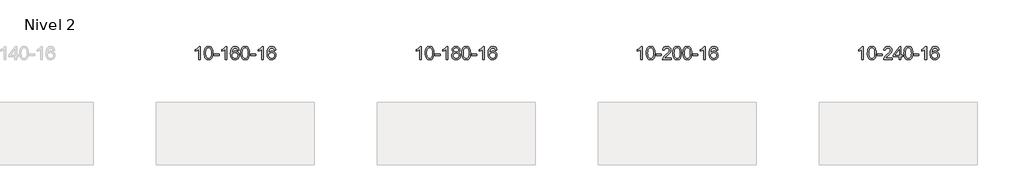
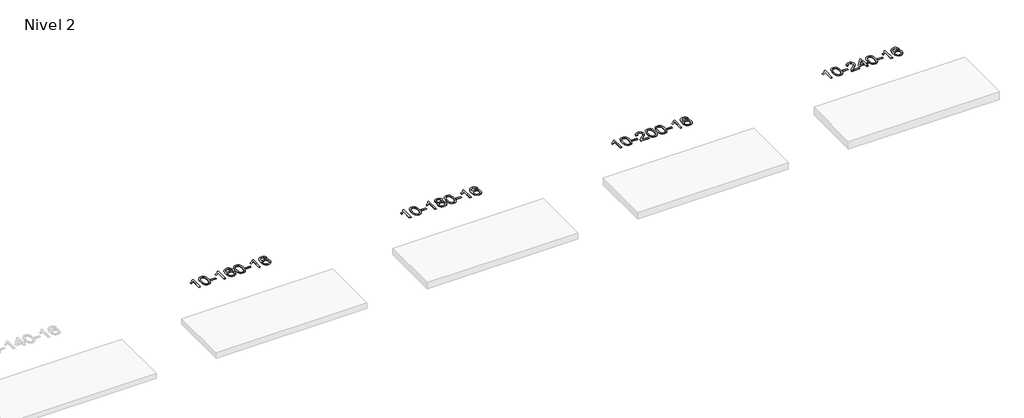
# One storey, part 44 of 51: 4 proxies.
"""IFC4 building model written with IfcOpenShell, lengths in millimetres."""

from ifc_helpers import new_model, si_unit, frame, origin, place, context, project, spatial, polyline, outline, extrude, element, save

model = new_model("IFC4")

# Units and contexts
model_context = context("Model", 3, world=origin())
ifc_project = project(units=[si_unit("LENGTHUNIT", "METRE", prefix="MILLI")], contexts=[model_context])

# Site, building, storey
site = spatial("IfcSite", under=ifc_project)
building = spatial("IfcBuilding", under=site)
storey = spatial("IfcBuildingStorey", under=building, Name="Nivel 2", Elevation=3000.0)

# Proxies
placement = place(None, origin())
element("IfcBuildingElementProxy", 1, Name="Texto de modelo 1", ObjectType="Texto de modelo 1", at=placement, inside=storey, context=model_context, shape_type="SweptSolid", body=[
    extrude(outline(polyline([(38245.494419, -39113.543941), (38195.266264, -39113.543941), (38195.266264, -38800.4027867), (38174.2969902, -38817.3621467), (38147.6868593, -38834.2969812), (38094.8099538, -38859.6563134), (38094.8099538, -38812.1750106), (38134.2591664, -38790.7152275), (38168.4354038, -38765.1842171), (38195.3766286, -38738.0345258), (38213.1208035, -38711.7187004), (38245.494419, -38711.7187004), (38245.494419, -39113.543941)])), frame((0.0, 0.0, 3000.0), z_axis=(0.0, 0.0, 1.0), x_axis=(1.0, 0.0, 0.0)), (0.0, 0.0, 1.0), 10.0),
    extrude(outline(polyline([(38364.7862873, -38915.8686823), (38368.47737, -38851.5506468), (38379.5506181, -38800.2556339), (38397.8956669, -38761.1988288), (38409.7537299, -38745.9654485), (38423.4021519, -38733.5954164), (38438.8869182, -38724.0243532), (38456.2540141, -38717.1878794), (38496.6351944, -38711.7187004), (38527.5863329, -38714.956062), (38555.3001099, -38724.6681467), (38578.4766756, -38740.4748097), (38595.8161803, -38761.9959064), (38608.9127793, -38789.0474958), (38619.360628, -38821.4456369), (38626.2032331, -38862.5871067), (38628.4841015, -38915.8686823), (38624.829807, -38979.8188358), (38613.8669235, -39030.9912213), (38595.6322393, -39070.0848147), (38583.8017675, -39085.3641802), (38570.1625425, -39097.7985916), (38554.6593821, -39107.4340342), (38537.2371039, -39114.3164932), (38496.6351944, -39119.8224604), (38468.9704684, -39117.4312275), (38444.445002, -39110.2575285), (38423.0587954, -39098.3013637), (38404.8118484, -39081.5627329), (38387.3006654, -39051.3044388), (38374.7926776, -39013.6026657), (38367.2878849, -38968.4574135), (38364.7862873, -38915.8686823)]), holes=[polyline([(38415.0144424, -38915.7705804), (38416.4859704, -38959.4351076), (38420.9005543, -38994.7793703), (38428.2581942, -39021.8033685), (38438.5588901, -39040.5071023), (38451.017827, -39053.2327536), (38464.85019, -39062.3225046), (38480.0559792, -39067.7763552), (38496.6351944, -39069.5943053), (38513.2144097, -39067.7702238), (38528.4201988, -39062.2979791), (38542.2525618, -39053.1775713), (38554.7114987, -39040.4090004), (38565.0121946, -39021.6746098), (38572.3698345, -38994.6567429), (38576.7844184, -38959.3553998), (38578.2559464, -38915.7705804), (38576.8334694, -38873.2618159), (38572.5660382, -38838.5398869), (38565.453653, -38811.6047935), (38555.4963136, -38792.4565356), (38543.2458432, -38779.1085506), (38529.2540646, -38769.5742755), (38513.520978, -38763.8537105), (38496.0465832, -38761.9468555), (38479.5532071, -38763.62685), (38464.6049354, -38768.6668333), (38451.201768, -38777.0668055), (38439.343705, -38788.8267666), (38428.6996526, -38809.673413), (38421.0967581, -38837.7795975), (38416.5350213, -38873.1453199), (38415.0144424, -38915.7705804)])]), frame((0.0, 0.0, 3000.0), z_axis=(0.0, 0.0, 1.0), x_axis=(1.0, 0.0, 0.0)), (0.0, 0.0, 1.0), 10.0),
    extrude(outline(polyline([(38659.8766984, -38994.2520727), (38659.8766984, -38944.0239177), (38816.839683, -38944.0239177), (38816.839683, -38994.2520727), (38659.8766984, -38994.2520727)])), frame((0.0, 0.0, 3000.0), z_axis=(0.0, 0.0, 1.0), x_axis=(1.0, 0.0, 0.0)), (0.0, 0.0, 1.0), 10.0),
    extrude(outline(polyline([(39049.1449002, -39113.543941), (38998.9167452, -39113.543941), (38998.9167452, -38800.4027867), (38977.9474714, -38817.3621467), (38951.3373404, -38834.2969812), (38898.460435, -38859.6563134), (38898.460435, -38812.1750106), (38937.9096476, -38790.7152275), (38972.085885, -38765.1842171), (38999.0271098, -38738.0345258), (39016.7712847, -38711.7187004), (39049.1449002, -38711.7187004), (39049.1449002, -39113.543941)])), frame((0.0, 0.0, 3000.0), z_axis=(0.0, 0.0, 1.0), x_axis=(1.0, 0.0, 0.0)), (0.0, 0.0, 1.0), 10.0),
    extrude(outline(polyline([(39425.8560633, -38818.45353), (39375.6279082, -38824.7320494), (39367.5345043, -38799.838701), (39356.5961463, -38782.8425528), (39333.8119881, -38767.1707798), (39306.2698894, -38761.9468555), (39282.9216454, -38764.9880133), (39260.9468276, -38774.1114868), (39242.0744812, -38793.3271897), (39226.6602256, -38819.7779052), (39216.2491652, -38857.1915041), (39212.3864042, -38909.2958573), (39232.5340748, -38885.7881978), (39256.6793964, -38869.2212453), (39283.4734684, -38859.398796), (39311.5673901, -38856.1246463), (39335.700449, -38858.3625951), (39357.9695725, -38865.0764415), (39378.3747604, -38876.2661855), (39396.916013, -38891.9318271), (39412.3241372, -38911.1413987), (39423.3299403, -38932.9629323), (39429.9334221, -38957.3964282), (39432.1345827, -38984.4418862), (39427.9897789, -39020.4084826), (39415.5553674, -39053.7508541), (39395.861418, -39082.0287168), (39369.938, -39102.8017868), (39338.962336, -39115.567292), (39304.1116484, -39119.8224604), (39274.1691196, -39117.0020318), (39247.1267273, -39108.5407459), (39222.9844714, -39094.4386028), (39201.7423518, -39074.6956023), (39184.4243069, -39048.4778788), (39172.0542748, -39014.9515663), (39164.6322556, -38974.1166649), (39162.1582492, -38925.9731744), (39164.9051014, -38871.9987544), (39173.1456581, -38825.9337972), (39186.8799192, -38787.7783029), (39206.1078848, -38757.5322716), (39226.9483999, -38737.4888342), (39251.1121156, -38723.1720932), (39278.599032, -38714.5820486), (39309.4091491, -38711.7187004), (39332.5427952, -38713.4906654), (39353.4814121, -38718.8065602), (39372.2249998, -38727.6663849), (39388.7735582, -38740.0701395), (39402.6794976, -38755.6008911), (39413.4952283, -38773.8417067), (39421.2207502, -38794.7925863), (39425.8560633, -38818.45353)]), holes=[polyline([(39212.3864042, -38983.6570713), (39215.292672, -39005.913932), (39224.0114753, -39027.1652486), (39237.5495327, -39045.436721), (39254.9135629, -39058.7540492), (39275.8705739, -39066.8842413), (39300.1875737, -39069.5943053), (39333.3337415, -39063.9779736), (39347.248878, -39056.9575588), (39359.3920495, -39047.1289782), (39369.2420899, -39034.8907705), (39376.2778331, -39020.6414745), (39381.9064276, -38986.1096179), (39376.3514095, -38952.9634501), (39369.4076368, -38939.3426193), (39359.6863551, -38927.6899571), (39347.5063954, -38918.3549514), (39333.1865887, -38911.6870903), (39298.1274346, -38906.3528014), (39265.0303177, -38911.6870903), (39237.353329, -38927.6899571), (39226.4302994, -38939.1893351), (39218.6281354, -38952.3503135), (39213.946837, -38967.1728922), (39212.3864042, -38983.6570713)])]), frame((0.0, 0.0, 3000.0), z_axis=(0.0, 0.0, 1.0), x_axis=(1.0, 0.0, 0.0)), (0.0, 0.0, 1.0), 10.0),
    extrude(outline(polyline([(39476.0842184, -38915.8686823), (39479.7753011, -38851.5506468), (39490.8485491, -38800.2556339), (39509.1935979, -38761.1988288), (39521.0516609, -38745.9654485), (39534.7000829, -38733.5954164), (39550.1848492, -38724.0243532), (39567.5519451, -38717.1878794), (39607.9331254, -38711.7187004), (39638.884264, -38714.956062), (39666.5980409, -38724.6681467), (39689.7746066, -38740.4748097), (39707.1141113, -38761.9959064), (39720.2107104, -38789.0474958), (39730.658559, -38821.4456369), (39737.5011641, -38862.5871067), (39739.7820325, -38915.8686823), (39736.127738, -38979.8188358), (39725.1648546, -39030.9912213), (39706.9301703, -39070.0848147), (39695.0996985, -39085.3641802), (39681.4604735, -39097.7985916), (39665.9573131, -39107.4340342), (39648.535035, -39114.3164932), (39607.9331254, -39119.8224604), (39580.2683994, -39117.4312275), (39555.7429331, -39110.2575285), (39534.3567264, -39098.3013637), (39516.1097794, -39081.5627329), (39498.5985965, -39051.3044388), (39486.0906086, -39013.6026657), (39478.5858159, -38968.4574135), (39476.0842184, -38915.8686823)]), holes=[polyline([(39526.3123734, -38915.7705804), (39527.7839014, -38959.4351076), (39532.1984854, -38994.7793703), (39539.5561253, -39021.8033685), (39549.8568211, -39040.5071023), (39562.315758, -39053.2327536), (39576.1481211, -39062.3225046), (39591.3539102, -39067.7763552), (39607.9331254, -39069.5943053), (39624.5123407, -39067.7702238), (39639.7181298, -39062.2979791), (39653.5504928, -39053.1775713), (39666.0094297, -39040.4090004), (39676.3101256, -39021.6746098), (39683.6677655, -38994.6567429), (39688.0823495, -38959.3553998), (39689.5538774, -38915.7705804), (39688.1314004, -38873.2618159), (39683.8639692, -38838.5398869), (39676.751584, -38811.6047935), (39666.7942447, -38792.4565356), (39654.5437742, -38779.1085506), (39640.5519957, -38769.5742755), (39624.818909, -38763.8537105), (39607.3445142, -38761.9468555), (39590.8511381, -38763.62685), (39575.9028664, -38768.6668333), (39562.499699, -38777.0668055), (39550.6416361, -38788.8267666), (39539.9975837, -38809.673413), (39532.3946891, -38837.7795975), (39527.8329524, -38873.1453199), (39526.3123734, -38915.7705804)])]), frame((0.0, 0.0, 3000.0), z_axis=(0.0, 0.0, 1.0), x_axis=(1.0, 0.0, 0.0)), (0.0, 0.0, 1.0), 10.0),
    extrude(outline(polyline([(39771.1746294, -38994.2520727), (39771.1746294, -38944.0239177), (39928.137614, -38944.0239177), (39928.137614, -38994.2520727), (39771.1746294, -38994.2520727)])), frame((0.0, 0.0, 3000.0), z_axis=(0.0, 0.0, 1.0), x_axis=(1.0, 0.0, 0.0)), (0.0, 0.0, 1.0), 10.0),
    extrude(outline(polyline([(40160.4428313, -39113.543941), (40110.2146762, -39113.543941), (40110.2146762, -38800.4027867), (40089.2454025, -38817.3621467), (40062.6352715, -38834.2969812), (40009.758366, -38859.6563134), (40009.758366, -38812.1750106), (40049.2075787, -38790.7152275), (40083.383816, -38765.1842171), (40110.3250408, -38738.0345258), (40128.0692157, -38711.7187004), (40160.4428313, -38711.7187004), (40160.4428313, -39113.543941)])), frame((0.0, 0.0, 3000.0), z_axis=(0.0, 0.0, 1.0), x_axis=(1.0, 0.0, 0.0)), (0.0, 0.0, 1.0), 10.0),
    extrude(outline(polyline([(40537.1539943, -38818.45353), (40486.9258392, -38824.7320494), (40478.8324354, -38799.838701), (40467.8940774, -38782.8425528), (40445.1099191, -38767.1707798), (40417.5678204, -38761.9468555), (40394.2195765, -38764.9880133), (40372.2447586, -38774.1114868), (40353.3724123, -38793.3271897), (40337.9581567, -38819.7779052), (40327.5470962, -38857.1915041), (40323.6843353, -38909.2958573), (40343.8320059, -38885.7881978), (40367.9773275, -38869.2212453), (40394.7713995, -38859.398796), (40422.8653212, -38856.1246463), (40446.99838, -38858.3625951), (40469.2675035, -38865.0764415), (40489.6726915, -38876.2661855), (40508.213944, -38891.9318271), (40523.6220683, -38911.1413987), (40534.6278713, -38932.9629323), (40541.2313531, -38957.3964282), (40543.4325137, -38984.4418862), (40539.2877099, -39020.4084826), (40526.8532985, -39053.7508541), (40507.159349, -39082.0287168), (40481.2359311, -39102.8017868), (40450.2602671, -39115.567292), (40415.4095794, -39119.8224604), (40385.4670507, -39117.0020318), (40358.4246583, -39108.5407459), (40334.2824024, -39094.4386028), (40313.0402829, -39074.6956023), (40295.7222379, -39048.4778788), (40283.3522059, -39014.9515663), (40275.9301866, -38974.1166649), (40273.4561802, -38925.9731744), (40276.2030324, -38871.9987544), (40284.4435891, -38825.9337972), (40298.1778503, -38787.7783029), (40317.4058159, -38757.5322716), (40338.2463309, -38737.4888342), (40362.4100466, -38723.1720932), (40389.896963, -38714.5820486), (40420.7070801, -38711.7187004), (40443.8407262, -38713.4906654), (40464.7793431, -38718.8065602), (40483.5229308, -38727.6663849), (40500.0714892, -38740.0701395), (40513.9774286, -38755.6008911), (40524.7931593, -38773.8417067), (40532.5186812, -38794.7925863), (40537.1539943, -38818.45353)]), holes=[polyline([(40323.6843353, -38983.6570713), (40326.590603, -39005.913932), (40335.3094063, -39027.1652486), (40348.8474637, -39045.436721), (40366.2114939, -39058.7540492), (40387.1685049, -39066.8842413), (40411.4855048, -39069.5943053), (40444.6316725, -39063.9779736), (40458.546809, -39056.9575588), (40470.6899805, -39047.1289782), (40480.5400209, -39034.8907705), (40487.5757641, -39020.6414745), (40493.2043586, -38986.1096179), (40487.6493405, -38952.9634501), (40480.7055678, -38939.3426193), (40470.9842861, -38927.6899571), (40458.8043264, -38918.3549514), (40444.4845197, -38911.6870903), (40409.4253656, -38906.3528014), (40376.3282488, -38911.6870903), (40348.65126, -38927.6899571), (40337.7282304, -38939.1893351), (40329.9260664, -38952.3503135), (40325.2447681, -38967.1728922), (40323.6843353, -38983.6570713)])]), frame((0.0, 0.0, 3000.0), z_axis=(0.0, 0.0, 1.0), x_axis=(1.0, 0.0, 0.0)), (0.0, 0.0, 1.0), 10.0),
])
element("IfcBuildingElementProxy", 2, Name="Texto de modelo 1", ObjectType="Texto de modelo 1", at=placement, inside=storey, context=model_context, shape_type="SweptSolid", body=[
    extrude(outline(polyline([(44960.4349539, -39113.543941), (44910.2067988, -39113.543941), (44910.2067988, -38800.4027867), (44889.2375251, -38817.3621467), (44862.6273941, -38834.2969812), (44809.7504886, -38859.6563134), (44809.7504886, -38812.1750106), (44849.1997013, -38790.7152275), (44883.3759386, -38765.1842171), (44910.3171634, -38738.0345258), (44928.0613383, -38711.7187004), (44960.4349539, -38711.7187004), (44960.4349539, -39113.543941)])), frame((0.0, 0.0, 3000.0), z_axis=(0.0, 0.0, 1.0), x_axis=(1.0, 0.0, 0.0)), (0.0, 0.0, 1.0), 10.0),
    extrude(outline(polyline([(45079.7268222, -38915.8686823), (45083.4179048, -38851.5506468), (45094.4911529, -38800.2556339), (45112.8362017, -38761.1988288), (45124.6942647, -38745.9654485), (45138.3426867, -38733.5954164), (45153.827453, -38724.0243532), (45171.1945489, -38717.1878794), (45211.5757292, -38711.7187004), (45242.5268678, -38714.956062), (45270.2406447, -38724.6681467), (45293.4172104, -38740.4748097), (45310.7567151, -38761.9959064), (45323.8533142, -38789.0474958), (45334.3011628, -38821.4456369), (45341.1437679, -38862.5871067), (45343.4246363, -38915.8686823), (45339.7703418, -38979.8188358), (45328.8074584, -39030.9912213), (45310.5727741, -39070.0848147), (45298.7423023, -39085.3641802), (45285.1030773, -39097.7985916), (45269.5999169, -39107.4340342), (45252.1776388, -39114.3164932), (45211.5757292, -39119.8224604), (45183.9110032, -39117.4312275), (45159.3855369, -39110.2575285), (45137.9993302, -39098.3013637), (45119.7523832, -39081.5627329), (45102.2412003, -39051.3044388), (45089.7332124, -39013.6026657), (45082.2284197, -38968.4574135), (45079.7268222, -38915.8686823)]), holes=[polyline([(45129.9549772, -38915.7705804), (45131.4265052, -38959.4351076), (45135.8410892, -38994.7793703), (45143.1987291, -39021.8033685), (45153.4994249, -39040.5071023), (45165.9583618, -39053.2327536), (45179.7907249, -39062.3225046), (45194.996514, -39067.7763552), (45211.5757292, -39069.5943053), (45228.1549445, -39067.7702238), (45243.3607336, -39062.2979791), (45257.1930966, -39053.1775713), (45269.6520335, -39040.4090004), (45279.9527294, -39021.6746098), (45287.3103693, -38994.6567429), (45291.7249532, -38959.3553998), (45293.1964812, -38915.7705804), (45291.7740042, -38873.2618159), (45287.506573, -38838.5398869), (45280.3941878, -38811.6047935), (45270.4368485, -38792.4565356), (45258.186378, -38779.1085506), (45244.1945995, -38769.5742755), (45228.4615128, -38763.8537105), (45210.987118, -38761.9468555), (45194.4937419, -38763.62685), (45179.5454702, -38768.6668333), (45166.1423028, -38777.0668055), (45154.2842399, -38788.8267666), (45143.6401875, -38809.673413), (45136.0372929, -38837.7795975), (45131.4755562, -38873.1453199), (45129.9549772, -38915.7705804)])]), frame((0.0, 0.0, 3000.0), z_axis=(0.0, 0.0, 1.0), x_axis=(1.0, 0.0, 0.0)), (0.0, 0.0, 1.0), 10.0),
    extrude(outline(polyline([(45374.8172332, -38994.2520727), (45374.8172332, -38944.0239177), (45531.7802178, -38944.0239177), (45531.7802178, -38994.2520727), (45374.8172332, -38994.2520727)])), frame((0.0, 0.0, 3000.0), z_axis=(0.0, 0.0, 1.0), x_axis=(1.0, 0.0, 0.0)), (0.0, 0.0, 1.0), 10.0),
    extrude(outline(polyline([(45764.0854351, -39113.543941), (45713.85728, -39113.543941), (45713.85728, -38800.4027867), (45692.8880063, -38817.3621467), (45666.2778753, -38834.2969812), (45613.4009698, -38859.6563134), (45613.4009698, -38812.1750106), (45652.8501824, -38790.7152275), (45687.0264198, -38765.1842171), (45713.9676446, -38738.0345258), (45731.7118195, -38711.7187004), (45764.0854351, -38711.7187004), (45764.0854351, -39113.543941)])), frame((0.0, 0.0, 3000.0), z_axis=(0.0, 0.0, 1.0), x_axis=(1.0, 0.0, 0.0)), (0.0, 0.0, 1.0), 10.0),
    extrude(outline(polyline([(45956.5612949, -38892.2261327), (45929.6691211, -38878.9823809), (45910.7967747, -38861.0297395), (45899.6499503, -38838.7360906), (45895.9343421, -38812.4693162), (45897.9576931, -38791.9844204), (45904.027746, -38773.2040446), (45914.1445009, -38756.1281886), (45928.3079577, -38740.7568526), (45945.8375348, -38728.052661), (45966.0526504, -38718.9782385), (45988.9533046, -38713.5335849), (46014.5394974, -38711.7187004), (46040.2483175, -38713.5765045), (46063.3206499, -38719.1499167), (46083.7564948, -38728.4389371), (46101.555852, -38741.4435656), (46115.9768262, -38757.1153386), (46126.277522, -38774.4057924), (46132.4579396, -38793.314927), (46134.5180787, -38813.8427423), (46130.8515215, -38839.2633882), (46119.8518499, -38861.1768923), (46101.3964364, -38879.0191691), (46075.3626539, -38892.2261327), (46106.2770042, -38908.1554231), (46128.7791196, -38931.6140317), (46142.501118, -38961.473787), (46147.0751175, -38996.6065175), (46144.8065119, -39021.6592814), (46138.000695, -39044.6273806), (46126.6576668, -39065.5108152), (46110.7774273, -39084.3095852), (46091.1938424, -39099.8464681), (46068.740778, -39110.9442416), (46043.418234, -39117.6029057), (46015.2262104, -39119.8224604), (45987.0341869, -39117.5937087), (45961.7116429, -39110.9074534), (45939.2585784, -39099.7636946), (45919.6749936, -39084.1624324), (45903.7947541, -39065.231838), (45892.4517259, -39044.1000831), (45885.645909, -39020.7671675), (45883.3773034, -38995.2330914), (45888.1352438, -38958.7391975), (45902.4090652, -38928.7200267), (45925.4630036, -38906.2056486), (45956.5612949, -38892.2261327)]), holes=[polyline([(45946.1624972, -38813.9408442), (45950.6138693, -38835.8666111), (45963.9679858, -38853.377794), (45985.832439, -38864.8557123), (46015.8148216, -38868.681685), (46045.0982284, -38864.8802378), (46066.6315879, -38853.4758959), (46079.8753397, -38836.5533241), (46084.2899237, -38816.1971871), (46079.7281869, -38795.0684978), (46066.0429767, -38777.594103), (46044.2153117, -38765.8586674), (46015.2262104, -38761.9468555), (45986.0531682, -38765.7728283), (45964.2622914, -38777.2507465), (45950.6874457, -38794.0752164), (45946.1624972, -38813.9408442)]), polyline([(45933.6054584, -38993.4672578), (45935.7023858, -39012.6829607), (45941.9931679, -39031.2855269), (45953.6059762, -39047.5091229), (45971.6689822, -39059.5879151), (45993.3004435, -39067.0927078), (46015.6186179, -39069.5943053), (46049.807118, -39064.3335928), (46063.7007947, -39057.7577022), (46075.4607558, -39048.5514552), (46091.5004108, -39024.6513883), (46096.8469624, -38995.0368877), (46091.3287325, -38964.919615), (46074.7740427, -38940.4922505), (46062.6952505, -38931.049946), (46048.5317937, -38924.3054427), (46013.9508862, -38918.9098401), (45980.2406327, -38924.2318663), (45966.5033059, -38930.8843991), (45954.8445123, -38940.1979449), (45938.9152219, -38964.1593255), (45933.6054584, -38993.4672578)])]), frame((0.0, 0.0, 3000.0), z_axis=(0.0, 0.0, 1.0), x_axis=(1.0, 0.0, 0.0)), (0.0, 0.0, 1.0), 10.0),
    extrude(outline(polyline([(46191.0247532, -38915.8686823), (46194.7158359, -38851.5506468), (46205.7890839, -38800.2556339), (46224.1341328, -38761.1988288), (46235.9921957, -38745.9654485), (46249.6406178, -38733.5954164), (46265.1253841, -38724.0243532), (46282.4924799, -38717.1878794), (46322.8736603, -38711.7187004), (46353.8247988, -38714.956062), (46381.5385758, -38724.6681467), (46404.7151415, -38740.4748097), (46422.0546462, -38761.9959064), (46435.1512452, -38789.0474958), (46445.5990939, -38821.4456369), (46452.441699, -38862.5871067), (46454.7225673, -38915.8686823), (46451.0682729, -38979.8188358), (46440.1053894, -39030.9912213), (46421.8707052, -39070.0848147), (46410.0402333, -39085.3641802), (46396.4010084, -39097.7985916), (46380.897848, -39107.4340342), (46363.4755698, -39114.3164932), (46322.8736603, -39119.8224604), (46295.2089342, -39117.4312275), (46270.6834679, -39110.2575285), (46249.2972612, -39098.3013637), (46231.0503143, -39081.5627329), (46213.5391313, -39051.3044388), (46201.0311435, -39013.6026657), (46193.5263508, -38968.4574135), (46191.0247532, -38915.8686823)]), holes=[polyline([(46241.2529083, -38915.7705804), (46242.7244362, -38959.4351076), (46247.1390202, -38994.7793703), (46254.4966601, -39021.8033685), (46264.797356, -39040.5071023), (46277.2562929, -39053.2327536), (46291.0886559, -39062.3225046), (46306.294445, -39067.7763552), (46322.8736603, -39069.5943053), (46339.4528755, -39067.7702238), (46354.6586646, -39062.2979791), (46368.4910277, -39053.1775713), (46380.9499646, -39040.4090004), (46391.2506604, -39021.6746098), (46398.6083003, -38994.6567429), (46403.0228843, -38959.3553998), (46404.4944123, -38915.7705804), (46403.0719352, -38873.2618159), (46398.8045041, -38838.5398869), (46391.6921188, -38811.6047935), (46381.7347795, -38792.4565356), (46369.4843091, -38779.1085506), (46355.4925305, -38769.5742755), (46339.7594438, -38763.8537105), (46322.2850491, -38761.9468555), (46305.791673, -38763.62685), (46290.8434012, -38768.6668333), (46277.4402339, -38777.0668055), (46265.5821709, -38788.8267666), (46254.9381185, -38809.673413), (46247.3352239, -38837.7795975), (46242.7734872, -38873.1453199), (46241.2529083, -38915.7705804)])]), frame((0.0, 0.0, 3000.0), z_axis=(0.0, 0.0, 1.0), x_axis=(1.0, 0.0, 0.0)), (0.0, 0.0, 1.0), 10.0),
    extrude(outline(polyline([(46486.1151643, -38994.2520727), (46486.1151643, -38944.0239177), (46643.0781489, -38944.0239177), (46643.0781489, -38994.2520727), (46486.1151643, -38994.2520727)])), frame((0.0, 0.0, 3000.0), z_axis=(0.0, 0.0, 1.0), x_axis=(1.0, 0.0, 0.0)), (0.0, 0.0, 1.0), 10.0),
    extrude(outline(polyline([(46875.3833661, -39113.543941), (46825.155211, -39113.543941), (46825.155211, -38800.4027867), (46804.1859373, -38817.3621467), (46777.5758063, -38834.2969812), (46724.6989009, -38859.6563134), (46724.6989009, -38812.1750106), (46764.1481135, -38790.7152275), (46798.3243508, -38765.1842171), (46825.2655756, -38738.0345258), (46843.0097505, -38711.7187004), (46875.3833661, -38711.7187004), (46875.3833661, -39113.543941)])), frame((0.0, 0.0, 3000.0), z_axis=(0.0, 0.0, 1.0), x_axis=(1.0, 0.0, 0.0)), (0.0, 0.0, 1.0), 10.0),
    extrude(outline(polyline([(47252.0945291, -38818.45353), (47201.8663741, -38824.7320494), (47193.7729702, -38799.838701), (47182.8346122, -38782.8425528), (47160.050454, -38767.1707798), (47132.5083552, -38761.9468555), (47109.1601113, -38764.9880133), (47087.1852934, -38774.1114868), (47068.3129471, -38793.3271897), (47052.8986915, -38819.7779052), (47042.487631, -38857.1915041), (47038.6248701, -38909.2958573), (47058.7725407, -38885.7881978), (47082.9178623, -38869.2212453), (47109.7119343, -38859.398796), (47137.805856, -38856.1246463), (47161.9389149, -38858.3625951), (47184.2080383, -38865.0764415), (47204.6132263, -38876.2661855), (47223.1544789, -38891.9318271), (47238.5626031, -38911.1413987), (47249.5684061, -38932.9629323), (47256.1718879, -38957.3964282), (47258.3730485, -38984.4418862), (47254.2282447, -39020.4084826), (47241.7938333, -39053.7508541), (47222.0998838, -39082.0287168), (47196.1764659, -39102.8017868), (47165.2008019, -39115.567292), (47130.3501142, -39119.8224604), (47100.4075855, -39117.0020318), (47073.3651932, -39108.5407459), (47049.2229372, -39094.4386028), (47027.9808177, -39074.6956023), (47010.6627728, -39048.4778788), (46998.2927407, -39014.9515663), (46990.8707214, -38974.1166649), (46988.396715, -38925.9731744), (46991.1435672, -38871.9987544), (46999.3841239, -38825.9337972), (47013.1183851, -38787.7783029), (47032.3463507, -38757.5322716), (47053.1868657, -38737.4888342), (47077.3505814, -38723.1720932), (47104.8374978, -38714.5820486), (47135.6476149, -38711.7187004), (47158.7812611, -38713.4906654), (47179.719878, -38718.8065602), (47198.4634656, -38727.6663849), (47215.012024, -38740.0701395), (47228.9179635, -38755.6008911), (47239.7336941, -38773.8417067), (47247.459216, -38794.7925863), (47252.0945291, -38818.45353)]), holes=[polyline([(47038.6248701, -38983.6570713), (47041.5311378, -39005.913932), (47050.2499411, -39027.1652486), (47063.7879986, -39045.436721), (47081.1520287, -39058.7540492), (47102.1090397, -39066.8842413), (47126.4260396, -39069.5943053), (47159.5722074, -39063.9779736), (47173.4873438, -39056.9575588), (47185.6305154, -39047.1289782), (47195.4805558, -39034.8907705), (47202.5162989, -39020.6414745), (47208.1448935, -38986.1096179), (47202.5898753, -38952.9634501), (47195.6461027, -38939.3426193), (47185.9248209, -38927.6899571), (47173.7448612, -38918.3549514), (47159.4250546, -38911.6870903), (47124.3659004, -38906.3528014), (47091.2687836, -38911.6870903), (47063.5917948, -38927.6899571), (47052.6687652, -38939.1893351), (47044.8666013, -38952.3503135), (47040.1853029, -38967.1728922), (47038.6248701, -38983.6570713)])]), frame((0.0, 0.0, 3000.0), z_axis=(0.0, 0.0, 1.0), x_axis=(1.0, 0.0, 0.0)), (0.0, 0.0, 1.0), 10.0),
])
element("IfcBuildingElementProxy", 3, Name="Texto de modelo 1", ObjectType="Texto de modelo 1", at=placement, inside=storey, context=model_context, shape_type="SweptSolid", body=[
    extrude(outline(polyline([(51675.3754887, -39113.543941), (51625.1473336, -39113.543941), (51625.1473336, -38800.4027867), (51604.1780599, -38817.3621467), (51577.5679289, -38834.2969812), (51524.6910235, -38859.6563134), (51524.6910235, -38812.1750106), (51564.1402361, -38790.7152275), (51598.3164734, -38765.1842171), (51625.2576982, -38738.0345258), (51643.0018731, -38711.7187004), (51675.3754887, -38711.7187004), (51675.3754887, -39113.543941)])), frame((0.0, 0.0, 3000.0), z_axis=(0.0, 0.0, 1.0), x_axis=(1.0, 0.0, 0.0)), (0.0, 0.0, 1.0), 10.0),
    extrude(outline(polyline([(51794.667357, -38915.8686823), (51798.3584397, -38851.5506468), (51809.4316877, -38800.2556339), (51827.7767366, -38761.1988288), (51839.6347995, -38745.9654485), (51853.2832216, -38733.5954164), (51868.7679879, -38724.0243532), (51886.1350837, -38717.1878794), (51926.5162641, -38711.7187004), (51957.4674026, -38714.956062), (51985.1811796, -38724.6681467), (52008.3577453, -38740.4748097), (52025.69725, -38761.9959064), (52038.793849, -38789.0474958), (52049.2416976, -38821.4456369), (52056.0843028, -38862.5871067), (52058.3651711, -38915.8686823), (52054.7108766, -38979.8188358), (52043.7479932, -39030.9912213), (52025.513309, -39070.0848147), (52013.6828371, -39085.3641802), (52000.0436122, -39097.7985916), (51984.5404517, -39107.4340342), (51967.1181736, -39114.3164932), (51926.5162641, -39119.8224604), (51898.851538, -39117.4312275), (51874.3260717, -39110.2575285), (51852.939865, -39098.3013637), (51834.6929181, -39081.5627329), (51817.1817351, -39051.3044388), (51804.6737473, -39013.6026657), (51797.1689546, -38968.4574135), (51794.667357, -38915.8686823)]), holes=[polyline([(51844.8955121, -38915.7705804), (51846.36704, -38959.4351076), (51850.781624, -38994.7793703), (51858.1392639, -39021.8033685), (51868.4399598, -39040.5071023), (51880.8988967, -39053.2327536), (51894.7312597, -39062.3225046), (51909.9370488, -39067.7763552), (51926.5162641, -39069.5943053), (51943.0954793, -39067.7702238), (51958.3012684, -39062.2979791), (51972.1336315, -39053.1775713), (51984.5925684, -39040.4090004), (51994.8932642, -39021.6746098), (52002.2509041, -38994.6567429), (52006.6654881, -38959.3553998), (52008.1370161, -38915.7705804), (52006.714539, -38873.2618159), (52002.4471079, -38838.5398869), (51995.3347226, -38811.6047935), (51985.3773833, -38792.4565356), (51973.1269128, -38779.1085506), (51959.1351343, -38769.5742755), (51943.4020476, -38763.8537105), (51925.9276529, -38761.9468555), (51909.4342767, -38763.62685), (51894.486005, -38768.6668333), (51881.0828377, -38777.0668055), (51869.2247747, -38788.8267666), (51858.5807223, -38809.673413), (51850.9778277, -38837.7795975), (51846.416091, -38873.1453199), (51844.8955121, -38915.7705804)])]), frame((0.0, 0.0, 3000.0), z_axis=(0.0, 0.0, 1.0), x_axis=(1.0, 0.0, 0.0)), (0.0, 0.0, 1.0), 10.0),
    extrude(outline(polyline([(52089.7577681, -38994.2520727), (52089.7577681, -38944.0239177), (52246.7207527, -38944.0239177), (52246.7207527, -38994.2520727), (52089.7577681, -38994.2520727)])), frame((0.0, 0.0, 3000.0), z_axis=(0.0, 0.0, 1.0), x_axis=(1.0, 0.0, 0.0)), (0.0, 0.0, 1.0), 10.0),
    extrude(outline(polyline([(52548.0896831, -39063.315786), (52548.0896831, -39113.543941), (52284.391869, -39113.543941), (52285.495515, -39095.8610798), (52289.7874716, -39078.9139826), (52302.1728321, -39051.8501304), (52320.2971517, -39025.5956187), (52346.5148752, -38998.1148337), (52383.1804474, -38967.3721616), (52437.381728, -38919.2286712), (52469.9024964, -38883.6912705), (52486.1628806, -38854.849322), (52491.5830087, -38826.7921885), (52486.4694489, -38801.6413228), (52471.1287697, -38780.7333627), (52447.5475338, -38766.6434823), (52417.712304, -38761.9468555), (52386.3810208, -38766.5331177), (52362.0394954, -38780.2919043), (52346.3309342, -38802.1440949), (52340.8985434, -38831.0105687), (52290.6703884, -38824.7320494), (52294.9899361, -38798.8025001), (52302.8472824, -38776.1471005), (52314.2424272, -38756.7658507), (52329.1753705, -38740.6587507), (52347.3027558, -38727.9974787), (52368.2812266, -38718.953713), (52392.1107828, -38713.5274536), (52418.7914245, -38711.7187004), (52445.7111895, -38713.7297887), (52469.6695045, -38719.7630534), (52490.6663693, -38729.8184946), (52508.7017842, -38743.8961123), (52523.1871377, -38760.9535741), (52533.5338188, -38779.9485478), (52539.7418275, -38800.8810333), (52541.8111637, -38823.7510307), (52539.5793463, -38847.773725), (52532.883894, -38871.3794863), (52521.0013055, -38895.3899179), (52503.2080797, -38920.6266228), (52474.8443779, -38950.7561582), (52431.2503614, -38989.4450813), (52373.4683627, -39037.76025), (52350.8068318, -39063.315786), (52548.0896831, -39063.315786)])), frame((0.0, 0.0, 3000.0), z_axis=(0.0, 0.0, 1.0), x_axis=(1.0, 0.0, 0.0)), (0.0, 0.0, 1.0), 10.0),
    extrude(outline(polyline([(52598.3178382, -38915.8686823), (52602.0089209, -38851.5506468), (52613.0821689, -38800.2556339), (52631.4272177, -38761.1988288), (52643.2852807, -38745.9654485), (52656.9337027, -38733.5954164), (52672.4184691, -38724.0243532), (52689.7855649, -38717.1878794), (52730.1667453, -38711.7187004), (52761.1178838, -38714.956062), (52788.8316608, -38724.6681467), (52812.0082264, -38740.4748097), (52829.3477312, -38761.9959064), (52842.4443302, -38789.0474958), (52852.8921788, -38821.4456369), (52859.734784, -38862.5871067), (52862.0156523, -38915.8686823), (52858.3613578, -38979.8188358), (52847.3984744, -39030.9912213), (52829.1637902, -39070.0848147), (52817.3333183, -39085.3641802), (52803.6940934, -39097.7985916), (52788.1909329, -39107.4340342), (52770.7686548, -39114.3164932), (52730.1667453, -39119.8224604), (52702.5020192, -39117.4312275), (52677.9765529, -39110.2575285), (52656.5903462, -39098.3013637), (52638.3433993, -39081.5627329), (52620.8322163, -39051.3044388), (52608.3242285, -39013.6026657), (52600.8194358, -38968.4574135), (52598.3178382, -38915.8686823)]), holes=[polyline([(52648.5459933, -38915.7705804), (52650.0175212, -38959.4351076), (52654.4321052, -38994.7793703), (52661.7897451, -39021.8033685), (52672.090441, -39040.5071023), (52684.5493779, -39053.2327536), (52698.3817409, -39062.3225046), (52713.58753, -39067.7763552), (52730.1667453, -39069.5943053), (52746.7459605, -39067.7702238), (52761.9517496, -39062.2979791), (52775.7841127, -39053.1775713), (52788.2430496, -39040.4090004), (52798.5437454, -39021.6746098), (52805.9013853, -38994.6567429), (52810.3159693, -38959.3553998), (52811.7874973, -38915.7705804), (52810.3650202, -38873.2618159), (52806.0975891, -38838.5398869), (52798.9852038, -38811.6047935), (52789.0278645, -38792.4565356), (52776.777394, -38779.1085506), (52762.7856155, -38769.5742755), (52747.0525288, -38763.8537105), (52729.5781341, -38761.9468555), (52713.0847579, -38763.62685), (52698.1364862, -38768.6668333), (52684.7333189, -38777.0668055), (52672.8752559, -38788.8267666), (52662.2312035, -38809.673413), (52654.6283089, -38837.7795975), (52650.0665722, -38873.1453199), (52648.5459933, -38915.7705804)])]), frame((0.0, 0.0, 3000.0), z_axis=(0.0, 0.0, 1.0), x_axis=(1.0, 0.0, 0.0)), (0.0, 0.0, 1.0), 10.0),
    extrude(outline(polyline([(52905.965288, -38915.8686823), (52909.6563707, -38851.5506468), (52920.7296188, -38800.2556339), (52939.0746676, -38761.1988288), (52950.9327306, -38745.9654485), (52964.5811526, -38733.5954164), (52980.0659189, -38724.0243532), (52997.4330148, -38717.1878794), (53037.8141951, -38711.7187004), (53068.7653336, -38714.956062), (53096.4791106, -38724.6681467), (53119.6556763, -38740.4748097), (53136.995181, -38761.9959064), (53150.09178, -38789.0474958), (53160.5396287, -38821.4456369), (53167.3822338, -38862.5871067), (53169.6631022, -38915.8686823), (53166.0088077, -38979.8188358), (53155.0459242, -39030.9912213), (53136.81124, -39070.0848147), (53124.9807682, -39085.3641802), (53111.3415432, -39097.7985916), (53095.8383828, -39107.4340342), (53078.4161046, -39114.3164932), (53037.8141951, -39119.8224604), (53010.1494691, -39117.4312275), (52985.6240027, -39110.2575285), (52964.2377961, -39098.3013637), (52945.9908491, -39081.5627329), (52928.4796661, -39051.3044388), (52915.9716783, -39013.6026657), (52908.4668856, -38968.4574135), (52905.965288, -38915.8686823)]), holes=[polyline([(52956.1934431, -38915.7705804), (52957.6649711, -38959.4351076), (52962.079555, -38994.7793703), (52969.4371949, -39021.8033685), (52979.7378908, -39040.5071023), (52992.1968277, -39053.2327536), (53006.0291907, -39062.3225046), (53021.2349798, -39067.7763552), (53037.8141951, -39069.5943053), (53054.3934103, -39067.7702238), (53069.5991995, -39062.2979791), (53083.4315625, -39053.1775713), (53095.8904994, -39040.4090004), (53106.1911953, -39021.6746098), (53113.5488352, -38994.6567429), (53117.9634191, -38959.3553998), (53119.4349471, -38915.7705804), (53118.01247, -38873.2618159), (53113.7450389, -38838.5398869), (53106.6326537, -38811.6047935), (53096.6753143, -38792.4565356), (53084.4248439, -38779.1085506), (53070.4330653, -38769.5742755), (53054.6999787, -38763.8537105), (53037.2255839, -38761.9468555), (53020.7322078, -38763.62685), (53005.783936, -38768.6668333), (52992.3807687, -38777.0668055), (52980.5227057, -38788.8267666), (52969.8786533, -38809.673413), (52962.2757587, -38837.7795975), (52957.714022, -38873.1453199), (52956.1934431, -38915.7705804)])]), frame((0.0, 0.0, 3000.0), z_axis=(0.0, 0.0, 1.0), x_axis=(1.0, 0.0, 0.0)), (0.0, 0.0, 1.0), 10.0),
    extrude(outline(polyline([(53201.0556991, -38994.2520727), (53201.0556991, -38944.0239177), (53358.0186837, -38944.0239177), (53358.0186837, -38994.2520727), (53201.0556991, -38994.2520727)])), frame((0.0, 0.0, 3000.0), z_axis=(0.0, 0.0, 1.0), x_axis=(1.0, 0.0, 0.0)), (0.0, 0.0, 1.0), 10.0),
    extrude(outline(polyline([(53590.3239009, -39113.543941), (53540.0957458, -39113.543941), (53540.0957458, -38800.4027867), (53519.1264721, -38817.3621467), (53492.5163411, -38834.2969812), (53439.6394357, -38859.6563134), (53439.6394357, -38812.1750106), (53479.0886483, -38790.7152275), (53513.2648857, -38765.1842171), (53540.2061104, -38738.0345258), (53557.9502853, -38711.7187004), (53590.3239009, -38711.7187004), (53590.3239009, -39113.543941)])), frame((0.0, 0.0, 3000.0), z_axis=(0.0, 0.0, 1.0), x_axis=(1.0, 0.0, 0.0)), (0.0, 0.0, 1.0), 10.0),
    extrude(outline(polyline([(53967.035064, -38818.45353), (53916.8069089, -38824.7320494), (53908.713505, -38799.838701), (53897.775147, -38782.8425528), (53874.9909888, -38767.1707798), (53847.4488901, -38761.9468555), (53824.1006461, -38764.9880133), (53802.1258283, -38774.1114868), (53783.2534819, -38793.3271897), (53767.8392263, -38819.7779052), (53757.4281659, -38857.1915041), (53753.5654049, -38909.2958573), (53773.7130755, -38885.7881978), (53797.8583971, -38869.2212453), (53824.6524691, -38859.398796), (53852.7463908, -38856.1246463), (53876.8794497, -38858.3625951), (53899.1485731, -38865.0764415), (53919.5537611, -38876.2661855), (53938.0950137, -38891.9318271), (53953.5031379, -38911.1413987), (53964.5089409, -38932.9629323), (53971.1124228, -38957.3964282), (53973.3135834, -38984.4418862), (53969.1687795, -39020.4084826), (53956.7343681, -39053.7508541), (53937.0404186, -39082.0287168), (53911.1170007, -39102.8017868), (53880.1413367, -39115.567292), (53845.290649, -39119.8224604), (53815.3481203, -39117.0020318), (53788.305728, -39108.5407459), (53764.163472, -39094.4386028), (53742.9213525, -39074.6956023), (53725.6033076, -39048.4778788), (53713.2332755, -39014.9515663), (53705.8112562, -38974.1166649), (53703.3372498, -38925.9731744), (53706.0841021, -38871.9987544), (53714.3246588, -38825.9337972), (53728.0589199, -38787.7783029), (53747.2868855, -38757.5322716), (53768.1274005, -38737.4888342), (53792.2911163, -38723.1720932), (53819.7780327, -38714.5820486), (53850.5881498, -38711.7187004), (53873.7217959, -38713.4906654), (53894.6604128, -38718.8065602), (53913.4040004, -38727.6663849), (53929.9525589, -38740.0701395), (53943.8584983, -38755.6008911), (53954.6742289, -38773.8417067), (53962.3997508, -38794.7925863), (53967.035064, -38818.45353)]), holes=[polyline([(53753.5654049, -38983.6570713), (53756.4716727, -39005.913932), (53765.190476, -39027.1652486), (53778.7285334, -39045.436721), (53796.0925635, -39058.7540492), (53817.0495745, -39066.8842413), (53841.3665744, -39069.5943053), (53874.5127422, -39063.9779736), (53888.4278787, -39056.9575588), (53900.5710502, -39047.1289782), (53910.4210906, -39034.8907705), (53917.4568338, -39020.6414745), (53923.0854283, -38986.1096179), (53917.5304102, -38952.9634501), (53910.5866375, -38939.3426193), (53900.8653558, -38927.6899571), (53888.685396, -38918.3549514), (53874.3655894, -38911.6870903), (53839.3064352, -38906.3528014), (53806.2093184, -38911.6870903), (53778.5323296, -38927.6899571), (53767.6093001, -38939.1893351), (53759.8071361, -38952.3503135), (53755.1258377, -38967.1728922), (53753.5654049, -38983.6570713)])]), frame((0.0, 0.0, 3000.0), z_axis=(0.0, 0.0, 1.0), x_axis=(1.0, 0.0, 0.0)), (0.0, 0.0, 1.0), 10.0),
])
element("IfcBuildingElementProxy", 4, Name="Texto de modelo 1", ObjectType="Texto de modelo 1", at=placement, inside=storey, context=model_context, shape_type="SweptSolid", body=[
    extrude(outline(polyline([(58390.3160235, -39113.543941), (58340.0878684, -39113.543941), (58340.0878684, -38800.4027867), (58319.1185947, -38817.3621467), (58292.5084637, -38834.2969812), (58239.6315583, -38859.6563134), (58239.6315583, -38812.1750106), (58279.0807709, -38790.7152275), (58313.2570083, -38765.1842171), (58340.198233, -38738.0345258), (58357.9424079, -38711.7187004), (58390.3160235, -38711.7187004), (58390.3160235, -39113.543941)])), frame((0.0, 0.0, 3000.0), z_axis=(0.0, 0.0, 1.0), x_axis=(1.0, 0.0, 0.0)), (0.0, 0.0, 1.0), 10.0),
    extrude(outline(polyline([(58509.6078918, -38915.8686823), (58513.2989745, -38851.5506468), (58524.3722226, -38800.2556339), (58542.7172714, -38761.1988288), (58554.5753344, -38745.9654485), (58568.2237564, -38733.5954164), (58583.7085227, -38724.0243532), (58601.0756185, -38717.1878794), (58641.4567989, -38711.7187004), (58672.4079374, -38714.956062), (58700.1217144, -38724.6681467), (58723.2982801, -38740.4748097), (58740.6377848, -38761.9959064), (58753.7343838, -38789.0474958), (58764.1822325, -38821.4456369), (58771.0248376, -38862.5871067), (58773.305706, -38915.8686823), (58769.6514115, -38979.8188358), (58758.688528, -39030.9912213), (58740.4538438, -39070.0848147), (58728.623372, -39085.3641802), (58714.984147, -39097.7985916), (58699.4809866, -39107.4340342), (58682.0587084, -39114.3164932), (58641.4567989, -39119.8224604), (58613.7920728, -39117.4312275), (58589.2666065, -39110.2575285), (58567.8803998, -39098.3013637), (58549.6334529, -39081.5627329), (58532.1222699, -39051.3044388), (58519.6142821, -39013.6026657), (58512.1094894, -38968.4574135), (58509.6078918, -38915.8686823)]), holes=[polyline([(58559.8360469, -38915.7705804), (58561.3075749, -38959.4351076), (58565.7221588, -38994.7793703), (58573.0797987, -39021.8033685), (58583.3804946, -39040.5071023), (58595.8394315, -39053.2327536), (58609.6717945, -39062.3225046), (58624.8775836, -39067.7763552), (58641.4567989, -39069.5943053), (58658.0360141, -39067.7702238), (58673.2418033, -39062.2979791), (58687.0741663, -39053.1775713), (58699.5331032, -39040.4090004), (58709.8337991, -39021.6746098), (58717.191439, -38994.6567429), (58721.6060229, -38959.3553998), (58723.0775509, -38915.7705804), (58721.6550738, -38873.2618159), (58717.3876427, -38838.5398869), (58710.2752574, -38811.6047935), (58700.3179181, -38792.4565356), (58688.0674477, -38779.1085506), (58674.0756691, -38769.5742755), (58658.3425825, -38763.8537105), (58640.8681877, -38761.9468555), (58624.3748116, -38763.62685), (58609.4265398, -38768.6668333), (58596.0233725, -38777.0668055), (58584.1653095, -38788.8267666), (58573.5212571, -38809.673413), (58565.9183625, -38837.7795975), (58561.3566258, -38873.1453199), (58559.8360469, -38915.7705804)])]), frame((0.0, 0.0, 3000.0), z_axis=(0.0, 0.0, 1.0), x_axis=(1.0, 0.0, 0.0)), (0.0, 0.0, 1.0), 10.0),
    extrude(outline(polyline([(58804.6983029, -38994.2520727), (58804.6983029, -38944.0239177), (58961.6612875, -38944.0239177), (58961.6612875, -38994.2520727), (58804.6983029, -38994.2520727)])), frame((0.0, 0.0, 3000.0), z_axis=(0.0, 0.0, 1.0), x_axis=(1.0, 0.0, 0.0)), (0.0, 0.0, 1.0), 10.0),
    extrude(outline(polyline([(59263.0302179, -39063.315786), (59263.0302179, -39113.543941), (58999.3324038, -39113.543941), (59000.4360498, -39095.8610798), (59004.7280064, -39078.9139826), (59017.1133669, -39051.8501304), (59035.2376865, -39025.5956187), (59061.45541, -38998.1148337), (59098.1209822, -38967.3721616), (59152.3222629, -38919.2286712), (59184.8430312, -38883.6912705), (59201.1034154, -38854.849322), (59206.5235435, -38826.7921885), (59201.4099837, -38801.6413228), (59186.0693045, -38780.7333627), (59162.4880687, -38766.6434823), (59132.6528388, -38761.9468555), (59101.3215556, -38766.5331177), (59076.9800302, -38780.2919043), (59061.271469, -38802.1440949), (59055.8390783, -38831.0105687), (59005.6109232, -38824.7320494), (59009.9304709, -38798.8025001), (59017.7878172, -38776.1471005), (59029.182962, -38756.7658507), (59044.1159053, -38740.6587507), (59062.2432906, -38727.9974787), (59083.2217614, -38718.953713), (59107.0513177, -38713.5274536), (59133.7319594, -38711.7187004), (59160.6517244, -38713.7297887), (59184.6100393, -38719.7630534), (59205.6069042, -38729.8184946), (59223.642319, -38743.8961123), (59238.1276725, -38760.9535741), (59248.4743537, -38779.9485478), (59254.6823623, -38800.8810333), (59256.7516985, -38823.7510307), (59254.5198811, -38847.773725), (59247.8244288, -38871.3794863), (59235.9418404, -38895.3899179), (59218.1486145, -38920.6266228), (59189.7849127, -38950.7561582), (59146.1908963, -38989.4450813), (59088.4088976, -39037.76025), (59065.7473667, -39063.315786), (59263.0302179, -39063.315786)])), frame((0.0, 0.0, 3000.0), z_axis=(0.0, 0.0, 1.0), x_axis=(1.0, 0.0, 0.0)), (0.0, 0.0, 1.0), 10.0),
    extrude(outline(polyline([(59476.499877, -39113.543941), (59476.499877, -39019.3661503), (59294.4228149, -39019.3661503), (59294.4228149, -38969.1379952), (59489.0569158, -38717.9972198), (59526.7280321, -38717.9972198), (59526.7280321, -38969.1379952), (59576.9561872, -38969.1379952), (59576.9561872, -39019.3661503), (59526.7280321, -39019.3661503), (59526.7280321, -39113.543941), (59476.499877, -39113.543941)]), holes=[polyline([(59476.499877, -38969.1379952), (59476.499877, -38813.9408442), (59356.22699, -38969.1379952), (59476.499877, -38969.1379952)])]), frame((0.0, 0.0, 3000.0), z_axis=(0.0, 0.0, 1.0), x_axis=(1.0, 0.0, 0.0)), (0.0, 0.0, 1.0), 10.0),
    extrude(outline(polyline([(59620.9058228, -38915.8686823), (59624.5969055, -38851.5506468), (59635.6701536, -38800.2556339), (59654.0152024, -38761.1988288), (59665.8732654, -38745.9654485), (59679.5216874, -38733.5954164), (59695.0064537, -38724.0243532), (59712.3735496, -38717.1878794), (59752.7547299, -38711.7187004), (59783.7058684, -38714.956062), (59811.4196454, -38724.6681467), (59834.5962111, -38740.4748097), (59851.9357158, -38761.9959064), (59865.0323148, -38789.0474958), (59875.4801635, -38821.4456369), (59882.3227686, -38862.5871067), (59884.603637, -38915.8686823), (59880.9493425, -38979.8188358), (59869.986459, -39030.9912213), (59851.7517748, -39070.0848147), (59839.921303, -39085.3641802), (59826.282078, -39097.7985916), (59810.7789176, -39107.4340342), (59793.3566394, -39114.3164932), (59752.7547299, -39119.8224604), (59725.0900039, -39117.4312275), (59700.5645375, -39110.2575285), (59679.1783309, -39098.3013637), (59660.9313839, -39081.5627329), (59643.4202009, -39051.3044388), (59630.9122131, -39013.6026657), (59623.4074204, -38968.4574135), (59620.9058228, -38915.8686823)]), holes=[polyline([(59671.1339779, -38915.7705804), (59672.6055059, -38959.4351076), (59677.0200898, -38994.7793703), (59684.3777297, -39021.8033685), (59694.6784256, -39040.5071023), (59707.1373625, -39053.2327536), (59720.9697255, -39062.3225046), (59736.1755147, -39067.7763552), (59752.7547299, -39069.5943053), (59769.3339452, -39067.7702238), (59784.5397343, -39062.2979791), (59798.3720973, -39053.1775713), (59810.8310342, -39040.4090004), (59821.1317301, -39021.6746098), (59828.48937, -38994.6567429), (59832.9039539, -38959.3553998), (59834.3754819, -38915.7705804), (59832.9530049, -38873.2618159), (59828.6855737, -38838.5398869), (59821.5731885, -38811.6047935), (59811.6158491, -38792.4565356), (59799.3653787, -38779.1085506), (59785.3736002, -38769.5742755), (59769.6405135, -38763.8537105), (59752.1661187, -38761.9468555), (59735.6727426, -38763.62685), (59720.7244709, -38768.6668333), (59707.3213035, -38777.0668055), (59695.4632405, -38788.8267666), (59684.8191881, -38809.673413), (59677.2162936, -38837.7795975), (59672.6545568, -38873.1453199), (59671.1339779, -38915.7705804)])]), frame((0.0, 0.0, 3000.0), z_axis=(0.0, 0.0, 1.0), x_axis=(1.0, 0.0, 0.0)), (0.0, 0.0, 1.0), 10.0),
    extrude(outline(polyline([(59915.9962339, -38994.2520727), (59915.9962339, -38944.0239177), (60072.9592185, -38944.0239177), (60072.9592185, -38994.2520727), (59915.9962339, -38994.2520727)])), frame((0.0, 0.0, 3000.0), z_axis=(0.0, 0.0, 1.0), x_axis=(1.0, 0.0, 0.0)), (0.0, 0.0, 1.0), 10.0),
    extrude(outline(polyline([(60305.2644357, -39113.543941), (60255.0362807, -39113.543941), (60255.0362807, -38800.4027867), (60234.0670069, -38817.3621467), (60207.456876, -38834.2969812), (60154.5799705, -38859.6563134), (60154.5799705, -38812.1750106), (60194.0291831, -38790.7152275), (60228.2054205, -38765.1842171), (60255.1466453, -38738.0345258), (60272.8908202, -38711.7187004), (60305.2644357, -38711.7187004), (60305.2644357, -39113.543941)])), frame((0.0, 0.0, 3000.0), z_axis=(0.0, 0.0, 1.0), x_axis=(1.0, 0.0, 0.0)), (0.0, 0.0, 1.0), 10.0),
    extrude(outline(polyline([(60681.9755988, -38818.45353), (60631.7474437, -38824.7320494), (60623.6540398, -38799.838701), (60612.7156818, -38782.8425528), (60589.9315236, -38767.1707798), (60562.3894249, -38761.9468555), (60539.0411809, -38764.9880133), (60517.0663631, -38774.1114868), (60498.1940167, -38793.3271897), (60482.7797611, -38819.7779052), (60472.3687007, -38857.1915041), (60468.5059397, -38909.2958573), (60488.6536103, -38885.7881978), (60512.7989319, -38869.2212453), (60539.5930039, -38859.398796), (60567.6869256, -38856.1246463), (60591.8199845, -38858.3625951), (60614.089108, -38865.0764415), (60634.494296, -38876.2661855), (60653.0355485, -38891.9318271), (60668.4436727, -38911.1413987), (60679.4494758, -38932.9629323), (60686.0529576, -38957.3964282), (60688.2541182, -38984.4418862), (60684.1093144, -39020.4084826), (60671.6749029, -39053.7508541), (60651.9809535, -39082.0287168), (60626.0575355, -39102.8017868), (60595.0818715, -39115.567292), (60560.2311839, -39119.8224604), (60530.2886551, -39117.0020318), (60503.2462628, -39108.5407459), (60479.1040069, -39094.4386028), (60457.8618873, -39074.6956023), (60440.5438424, -39048.4778788), (60428.1738103, -39014.9515663), (60420.7517911, -38974.1166649), (60418.2777847, -38925.9731744), (60421.0246369, -38871.9987544), (60429.2651936, -38825.9337972), (60442.9994547, -38787.7783029), (60462.2274203, -38757.5322716), (60483.0679354, -38737.4888342), (60507.2316511, -38723.1720932), (60534.7185675, -38714.5820486), (60565.5286846, -38711.7187004), (60588.6623307, -38713.4906654), (60609.6009476, -38718.8065602), (60628.3445353, -38727.6663849), (60644.8930937, -38740.0701395), (60658.7990331, -38755.6008911), (60669.6147638, -38773.8417067), (60677.3402857, -38794.7925863), (60681.9755988, -38818.45353)]), holes=[polyline([(60468.5059397, -38983.6570713), (60471.4122075, -39005.913932), (60480.1310108, -39027.1652486), (60493.6690682, -39045.436721), (60511.0330984, -39058.7540492), (60531.9901094, -39066.8842413), (60556.3071092, -39069.5943053), (60589.453277, -39063.9779736), (60603.3684135, -39056.9575588), (60615.511585, -39047.1289782), (60625.3616254, -39034.8907705), (60632.3973686, -39020.6414745), (60638.0259631, -38986.1096179), (60632.470945, -38952.9634501), (60625.5271723, -38939.3426193), (60615.8058906, -38927.6899571), (60603.6259309, -38918.3549514), (60589.3061242, -38911.6870903), (60554.2469701, -38906.3528014), (60521.1498532, -38911.6870903), (60493.4728645, -38927.6899571), (60482.5498349, -38939.1893351), (60474.7476709, -38952.3503135), (60470.0663725, -38967.1728922), (60468.5059397, -38983.6570713)])]), frame((0.0, 0.0, 3000.0), z_axis=(0.0, 0.0, 1.0), x_axis=(1.0, 0.0, 0.0)), (0.0, 0.0, 1.0), 10.0),
])

save(model, "model.ifc")
